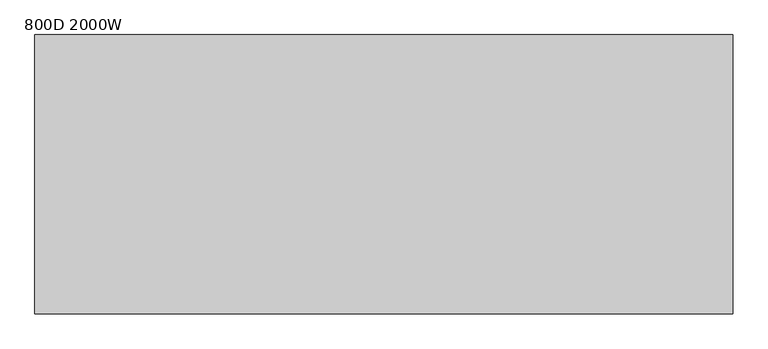
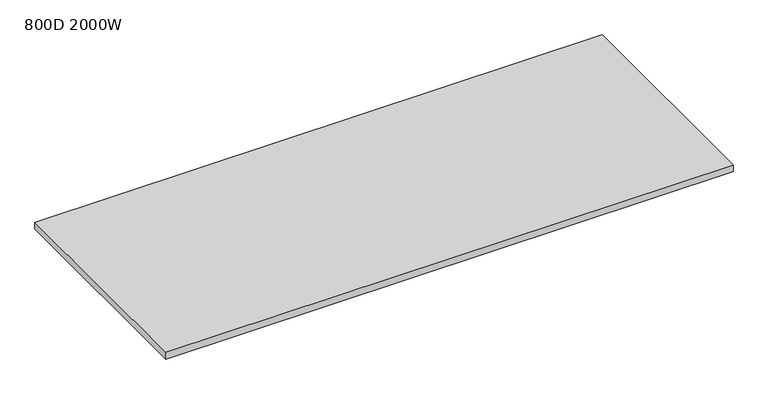
"""IFC4 building model written with IfcOpenShell, lengths in millimetres: furniture geometry, 800D 2000W."""

from ifc_helpers import new_model, si_unit, frame, origin, place, context, project, spatial, polyline, outline, extrude, source, transform, mapped, element, save


def furniture_800d_2000w_88e3454c(model_context):
    return source(origin(), model_context, "Body", "SweptSolid", [
        extrude(outline(polyline([(-1000.0, -800.0), (-1000.0, 0.0), (1000.0, 0.0), (1000.0, -800.0), (-1000.0, -800.0)])), frame((0.0, 0.0, 715.0), z_axis=(0.0, 0.0, 1.0), x_axis=(1.0, 0.0, 0.0)), (0.0, 0.0, 1.0), 25.0),
    ])


if __name__ == "__main__":
    model = new_model("IFC4")
    model_context = context("Model", 3, world=origin())
    ifc_project = project(units=[si_unit("LENGTHUNIT", "METRE", prefix="MILLI")], contexts=[model_context])
    site = spatial("IfcSite", under=ifc_project)
    building = spatial("IfcBuilding", under=site)
    placement = place(None, origin())
    furniture_800d_2000w_shape = furniture_800d_2000w_88e3454c(model_context)
    element("IfcFurniture", 1, ObjectType="800D 2000W", at=placement, inside=building, context=model_context, shape_type="MappedRepresentation", body=[
        mapped(furniture_800d_2000w_shape, transform((0.0, 0.0, 0.0), x_axis=(1.0, 0.0, 0.0), y_axis=(0.0, 1.0, 0.0), z_axis=(0.0, 0.0, 1.0))),
    ])
    save(model, "model.ifc")
